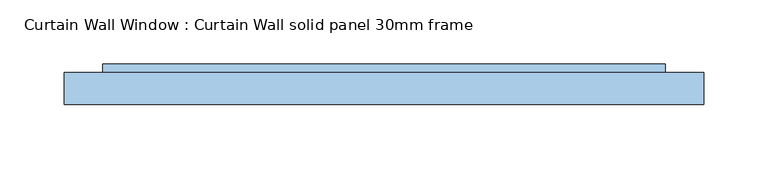
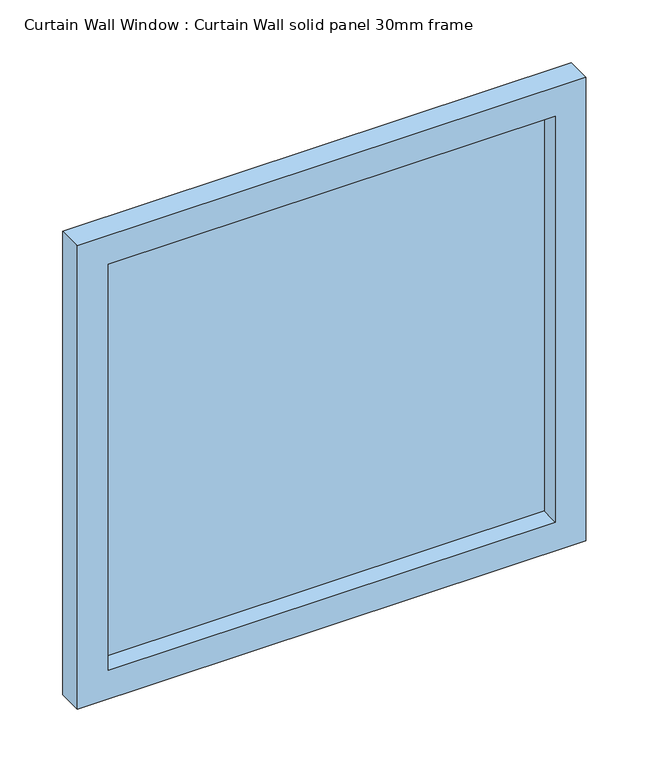
"""IFC4 building model written with IfcOpenShell, lengths in millimetres: window geometry, Curtain Wall Window : Curtain Wall solid panel 30mm frame."""

from ifc_helpers import new_model, si_unit, frame, origin, place, context, project, spatial, polyline, outline, extrude, source, transform, mapped, element, save


def curtain_wall_window_curtain_wall_solid_panel_30mm_frame_716f4d22(model_context):
    return source(origin(), model_context, "Body", "SweptSolid", [
        extrude(outline(polyline([(219.4999836, 19.05), (-219.4999836, 19.05), (-219.4999836, 31.75), (219.4999836, 31.75), (219.4999836, 19.05)])), frame((0.0, 0.0, 30.0), z_axis=(0.0, 0.0, 1.0), x_axis=(1.0, 0.0, 0.0)), (0.0, 0.0, 1.0), 420.9999903),
        extrude(outline(polyline([(480.9999903, -249.4999836), (0.0, -249.4999836), (0.0, 249.4999836), (480.9999903, 249.4999836), (480.9999903, -249.4999836)]), holes=[polyline([(450.9999903, -219.4999836), (450.9999903, 219.4999836), (30.0, 219.4999836), (30.0, -219.4999836), (450.9999903, -219.4999836)])]), frame((0.0, 0.0, 0.0), z_axis=(0.0, 1.0, 0.0), x_axis=(0.0, 0.0, 1.0)), (0.0, 0.0, 1.0), 25.0),
    ])


if __name__ == "__main__":
    model = new_model("IFC4")
    model_context = context("Model", 3, world=origin())
    ifc_project = project(units=[si_unit("LENGTHUNIT", "METRE", prefix="MILLI")], contexts=[model_context])
    site = spatial("IfcSite", under=ifc_project)
    building = spatial("IfcBuilding", under=site)
    placement = place(None, origin())
    curtain_wall_window_curtain_wall_solid_panel_30mm_frame_shape = curtain_wall_window_curtain_wall_solid_panel_30mm_frame_716f4d22(model_context)
    element("IfcWindow", 1, ObjectType="Curtain Wall Window : Curtain Wall solid panel 30mm frame", at=placement, inside=building, context=model_context, shape_type="MappedRepresentation", body=[
        mapped(curtain_wall_window_curtain_wall_solid_panel_30mm_frame_shape, transform((0.0, 0.0, 0.0), x_axis=(1.0, 0.0, 0.0), y_axis=(0.0, 1.0, 0.0), z_axis=(0.0, 0.0, 1.0))),
    ])
    save(model, "model.ifc")
